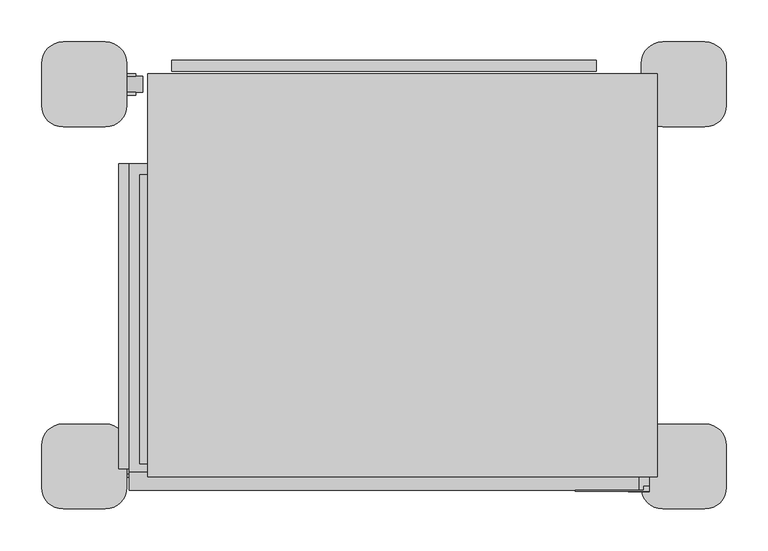
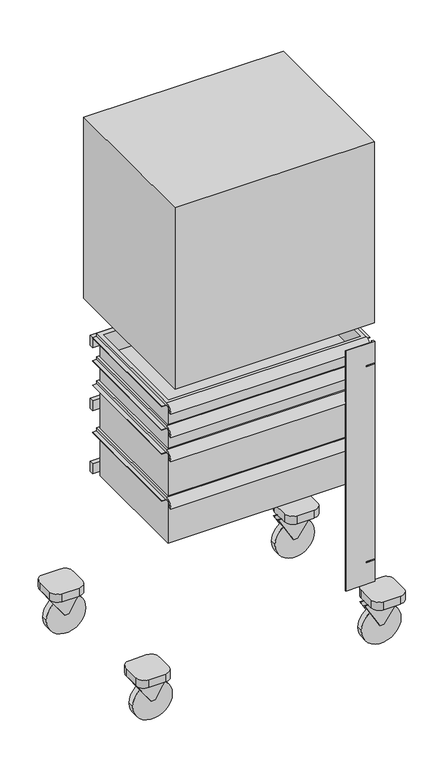
"""IFC4 building model written with IfcOpenShell, lengths in millimetres: proxy geometry."""

from ifc_helpers import new_model, si_unit, point, frame, frame_2d, origin, place, context, project, spatial, polyline, circle_curve, trimmed, segment, composite_curve, outline, extrude, faceted_brep, source, transform, mapped, element, save
from ifc_brep_helpers import plane_surface, cylinder_surface, revolved_surface, advanced_brep


def specialty_equipment_8ec998c3(model_context):
    return source(origin(), model_context, "Body", "SolidModel", [
        faceted_brep([(-177.3747223, 933.9418342, 1473.2), (-659.9747223, 933.9418342, 1473.2), (-659.9747223, 883.3104531, 1473.2), (-177.3747223, 883.3104531, 1473.2), (-177.3747223, 933.9418342, 1193.8), (-177.3747223, 883.3104531, 1193.8), (-659.9747223, 883.3104531, 1193.8), (-659.9747223, 933.9418342, 1193.8), (-647.2747223, 883.3104531, 1460.5), (-190.0747223, 883.3104531, 1460.5), (-190.0747223, 883.3104531, 1206.5), (-647.2747223, 883.3104531, 1206.5), (-190.0747223, 888.0966556, 1460.5), (-647.2747223, 888.0966556, 1460.5), (-190.0747223, 888.0966556, 1206.5), (-647.2747223, 888.0966556, 1206.5)], [[[0, 1, 2, 3]], [[4, 5, 6, 7]], [[1, 0, 4, 7]], [[2, 1, 7, 6]], [[3, 2, 6, 5], [8, 9, 10, 11]], [[0, 3, 5, 4]], [[12, 9, 8, 13]], [[14, 15, 11, 10]], [[12, 13, 15, 14]], [[13, 8, 11, 15]], [[9, 12, 14, 10]]]),
        extrude(outline(polyline([(584.7761437, 1054.1), (737.1761437, 1066.8), (737.1761437, 1041.4), (584.7761437, 1041.4), (584.7761437, 1054.1)])), frame((-659.9747223, 0.0, 0.0), z_axis=(1.0, 0.0, 0.0), x_axis=(0.0, 1.0, 0.0)), (0.0, 0.0, 1.0), 482.6),
        faceted_brep([(-271.4528828, 800.6761437, 1066.8), (-271.4528828, 800.6761437, 1041.4), (-271.4528828, 1016.5761437, 1041.4), (-271.4528828, 1016.5761437, 1066.8), (-565.8965618, 1016.5761437, 1066.8), (-565.8965618, 1016.5761437, 1041.4), (-565.8965618, 800.6761437, 1041.4), (-565.8965618, 800.6761437, 1066.8), (-381.7061537, 997.4418342, 1073.15), (-381.7061537, 997.4418342, 1066.8), (-455.6432909, 997.4418342, 1066.8), (-455.6432909, 997.4418342, 1073.15), (-381.7061537, 997.4418342, 1333.5), (-455.6432909, 997.4418342, 1333.5), (-381.7061537, 933.9418342, 1333.5), (-455.6432909, 933.9418342, 1333.5), (-381.7061537, 933.9418342, 1282.7), (-455.6432909, 933.9418342, 1282.7), (-381.7061537, 972.0418342, 1282.7), (-455.6432909, 972.0418342, 1282.7), (-381.7061537, 972.0418342, 1066.8), (-455.6432909, 972.0418342, 1066.8)], [[[0, 1, 2, 3]], [[4, 5, 6, 7]], [[8, 9, 10, 11]], [[12, 8, 11, 13]], [[14, 12, 13, 15]], [[16, 14, 15, 17]], [[18, 16, 17, 19]], [[20, 18, 19, 21]], [[0, 3, 4, 7], [9, 20, 21, 10]], [[1, 0, 7, 6]], [[2, 1, 6, 5]], [[3, 2, 5, 4]], [[20, 9, 8, 12, 14, 16, 18]], [[10, 21, 19, 17, 15, 13, 11]]]),
        extrude(outline(polyline([(-113.8747223, 1041.9761437), (-113.8747223, 559.3761437), (-723.4747223, 559.3761437), (-723.4747223, 1041.9761437), (-113.8747223, 1041.9761437)])), frame((0.0, 0.0, 1041.4), z_axis=(0.0, 0.0, 1.0), x_axis=(1.0, 0.0, 0.0)), (0.0, 0.0, 1.0), 584.2),
        extrude(outline(polyline([(-186.8997223, 1057.8511437), (-186.8997223, 1045.1511437), (-694.8997223, 1045.1511437), (-694.8997223, 1057.8511437), (-186.8997223, 1057.8511437)])), frame((0.0, 0.0, 464.30692), z_axis=(0.0, 0.0, 1.0), x_axis=(1.0, 0.0, 0.0)), (0.0, 0.0, 1.0), 31.75),
        extrude(outline(polyline([(-186.8997223, 1057.8511437), (-186.8997223, 1045.1511437), (-694.8997223, 1045.1511437), (-694.8997223, 1057.8511437), (-186.8997223, 1057.8511437)])), frame((0.0, 0.0, 667.50692), z_axis=(0.0, 0.0, 1.0), x_axis=(1.0, 0.0, 0.0)), (0.0, 0.0, 1.0), 31.75),
        extrude(outline(polyline([(-186.8997223, 1057.8511437), (-186.8997223, 1045.1511437), (-694.8997223, 1045.1511437), (-694.8997223, 1057.8511437), (-186.8997223, 1057.8511437)])), frame((0.0, 0.0, 870.70692), z_axis=(0.0, 0.0, 1.0), x_axis=(1.0, 0.0, 0.0)), (0.0, 0.0, 1.0), 31.75),
        advanced_brep(
        [(-739.3497223, 569.0376764, 696.8915302), (-142.4497223, 569.0376764, 696.8915302), (-142.4497223, 569.0376764, 838.1917302), (-123.3997223, 569.0376764, 838.1917302), (-123.3997223, 569.0376764, 839.7792302), (-136.0997223, 569.0376764, 839.7792302), (-136.0997223, 569.0376764, 842.9415302), (-745.6997223, 569.0376764, 842.9415302), (-745.6997223, 569.0376764, 839.7792302), (-758.3997223, 569.0376764, 839.7792302), (-758.3997223, 569.0376764, 838.1917302), (-739.3497223, 569.0376764, 838.1917302), (-142.4497223, 927.8126764, 696.8915302), (-739.3497223, 927.8126764, 696.8915302), (-739.3497223, 927.8126764, 838.1917302), (-142.4497223, 927.8126764, 838.1917302), (-136.0997223, 565.7634577, 849.2915302), (-136.0997223, 934.1626764, 849.2915302), (-745.6997223, 934.1626764, 849.2915302), (-745.6997223, 565.7634577, 849.2915302), (-148.7997223, 575.3876764, 849.2915302), (-732.9997223, 575.3876764, 849.2915302), (-732.9997223, 920.8276764, 849.2915302), (-148.7997223, 920.8276764, 849.2915302), (-136.0997223, 543.6376764, 824.6484502), (-136.0997223, 550.0395136, 824.6484502), (-136.0997223, 565.7634577, 842.9415302), (-136.0997223, 934.1626764, 839.7792302), (-745.6997223, 565.7634577, 842.9415302), (-745.6997223, 550.0395136, 824.6484502), (-745.6997223, 543.6376764, 824.6484502), (-745.6997223, 934.1626764, 839.7792302), (-123.3997223, 934.1626764, 838.1917302), (-758.3997223, 934.1626764, 838.1917302), (-123.3997223, 934.1626764, 839.7792302), (-758.3997223, 934.1626764, 839.7792302), (-732.9997223, 575.3876764, 706.4165302), (-148.7997223, 575.3876764, 706.4165302), (-148.7997223, 920.8276764, 706.4165302), (-732.9997223, 920.8276764, 706.4165302)],
        [
            (0, 1),
            (1, 2),
            (2, 3),
            (3, 4),
            (4, 5),
            (5, 6),
            (6, 7),
            (7, 8),
            (8, 9),
            (9, 10),
            (10, 11),
            (11, 0),
            (12, 13),
            (13, 14),
            (14, 15),
            (15, 12),
            (0, 13),
            (12, 1),
            (15, 2),
            (16, 17),
            (17, 18),
            (18, 19),
            (19, 16),
            (20, 21),
            (21, 22),
            (22, 23),
            (23, 20),
            (11, 14),
            (16, 24, circle_curve(frame((-136.0997223, 565.7634577, 827.0371775), z_axis=(1.0, 0.0, 0.0), x_axis=(0.0, 1.0, 0.0)), 22.2543527)),
            (24, 25),
            (25, 26, circle_curve(frame((-136.0997223, 565.7634577, 827.0371775), z_axis=(-1.0, 0.0, 0.0), x_axis=(0.0, 1.0, 0.0)), 15.9043527)),
            (26, 6),
            (5, 27),
            (27, 17),
            (7, 28),
            (28, 29, circle_curve(frame((-745.6997223, 565.7634577, 827.0371775), z_axis=(1.0, 0.0, 0.0), x_axis=(0.0, 1.0, 0.0)), 15.9043527)),
            (29, 30),
            (30, 19, circle_curve(frame((-745.6997223, 565.7634577, 827.0371775), z_axis=(-1.0, 0.0, 0.0), x_axis=(0.0, 1.0, 0.0)), 22.2543527)),
            (18, 31),
            (31, 8),
            (30, 24),
            (29, 25),
            (28, 26),
            (32, 3),
            (10, 33),
            (33, 32),
            (27, 34),
            (34, 32),
            (33, 35),
            (35, 31),
            (36, 37),
            (37, 38),
            (38, 39),
            (39, 36),
            (36, 21),
            (20, 37),
            (23, 38),
            (22, 39),
            (9, 35),
            (4, 34),
        ],
        [
            plane_surface(frame((-142.4497223, 569.0376764, 696.8915302), z_axis=(0.0, -1.0, 0.0), x_axis=(1.0, 0.0, 0.0))),
            plane_surface(frame((-142.4497223, 927.8126764, 696.8915302), z_axis=(0.0, 1.0, 0.0), x_axis=(-1.0, 0.0, 0.0))),
            plane_surface(frame((-739.3497223, 569.0376764, 696.8915302), z_axis=(0.0, 0.0, -1.0), x_axis=(0.0, 1.0, 0.0))),
            plane_surface(frame((-142.4497223, 569.0376764, 696.8915302), z_axis=(1.0, 0.0, 0.0), x_axis=(0.0, 1.0, 0.0))),
            plane_surface(frame((-142.4497223, 569.0376764, 849.2915302), z_axis=(0.0, 0.0, 1.0), x_axis=(0.0, 1.0, 0.0))),
            plane_surface(frame((-739.3497223, 569.0376764, 849.2915302), z_axis=(-1.0, 0.0, 0.0), x_axis=(0.0, 1.0, 0.0))),
            plane_surface(frame((-136.0997223, 934.1626764, 849.2915302), z_axis=(1.0, 0.0, 0.0), x_axis=(0.0, -1.0, 0.0))),
            plane_surface(frame((-745.6997223, 934.1626764, 849.2915302), z_axis=(-1.0, 0.0, 0.0), x_axis=(0.0, 1.0, 0.0))),
            cylinder_surface(frame((-745.6997223, 565.7634577, 827.0371775), z_axis=(1.0, 0.0, 0.0), x_axis=(0.0, 1.0, 0.0)), 22.2543527),
            plane_surface(frame((-136.0997223, 543.6376764, 824.6484502), z_axis=(0.0, 0.0, -1.0), x_axis=(-1.0, 0.0, 0.0))),
            revolved_surface(polyline([(-745.6997223, 581.6678104, 827.0371775), (-136.09972230000005, 581.6678104, 827.0371775)]), (-745.6997223, 565.7634577, 827.0371775), (-1.0, 0.0, 0.0)),
            plane_surface(frame((-136.0997223, 565.7634577, 842.9415302), z_axis=(0.0, -1.0696897912904252e-12, -1.0), x_axis=(-1.0, 0.0, 0.0))),
            plane_surface(frame((-136.0997223, 569.0376764, 838.1917302), z_axis=(0.0, 0.0, -1.0), x_axis=(-1.0, 0.0, 0.0))),
            plane_surface(frame((-136.0997223, 934.1626764, 838.1917302), z_axis=(0.0, 1.0, 0.0), x_axis=(-1.0, 0.0, 0.0))),
            plane_surface(frame((-148.7997223, 575.3876764, 706.4165302), z_axis=(0.0, 0.0, 1.0), x_axis=(-1.0, 0.0, 0.0))),
            plane_surface(frame((-732.9997223, 575.3876764, 849.2915302), z_axis=(0.0, 1.0, 0.0), x_axis=(0.0, 0.0, -1.0))),
            plane_surface(frame((-148.7997223, 575.3876764, 849.2915302), z_axis=(-1.0, 0.0, 0.0), x_axis=(0.0, 0.0, -1.0))),
            plane_surface(frame((-148.7997223, 920.8276764, 849.2915302), z_axis=(0.0, -1.0, 0.0), x_axis=(0.0, 0.0, -1.0))),
            plane_surface(frame((-732.9997223, 920.8276764, 849.2915302), z_axis=(1.0, 0.0, 0.0), x_axis=(0.0, 0.0, -1.0))),
            plane_surface(frame((-758.3997223, 934.1626764, 838.1917302), z_axis=(-1.0, 0.0, 0.0), x_axis=(0.0, -1.0, 0.0))),
            plane_surface(frame((-758.3997223, 934.1626764, 839.7792302), z_axis=(0.0, 0.0, 1.0), x_axis=(0.0, -1.0, 0.0))),
            plane_surface(frame((-136.0997223, 934.1626764, 839.7792302), z_axis=(0.0, 0.0, 1.0), x_axis=(0.0, -1.0, 0.0))),
            plane_surface(frame((-123.3997223, 934.1626764, 839.7792302), z_axis=(1.0, 0.0, 0.0), x_axis=(0.0, -1.0, 0.0))),
        ],
        [
            (0, [[1, 2, 3, 4, 5, 6, 7, 8, 9, 10, 11, 12]]),
            (1, [[13, 14, 15, 16]]),
            (2, [[-1, 17, -13, 18]]),
            (3, [[-18, -16, 19, -2]]),
            (4, [[20, 21, 22, 23], [24, 25, 26, 27]]),
            (5, [[-17, -12, 28, -14]]),
            (6, [[-20, 29, 30, 31, 32, -6, 33, 34]]),
            (7, [[35, 36, 37, 38, -22, 39, 40, -8]]),
            (8, [[-29, -23, -38, 41]]),
            (9, [[-30, -41, -37, 42]]),
            (10, [[-31, -42, -36, 43]]),
            (11, [[-32, -43, -35, -7]]),
            (12, [[44, -3, -19, -15, -28, -11, 45, 46]]),
            (13, [[-21, -34, 47, 48, -46, 49, 50, -39]]),
            (14, [[51, 52, 53, 54]]),
            (15, [[-51, 55, -24, 56]]),
            (16, [[-52, -56, -27, 57]]),
            (17, [[-53, -57, -26, 58]]),
            (18, [[-54, -58, -25, -55]]),
            (19, [[-49, -45, -10, 59]]),
            (20, [[-50, -59, -9, -40]]),
            (21, [[-47, -33, -5, 60]]),
            (22, [[-48, -60, -4, -44]]),
        ],
    ),
        extrude(outline(polyline([(-123.3997223, 564.2751764), (-123.3997223, 542.0501764), (-148.7997223, 542.0501764), (-148.7997223, 564.2751764), (-123.3997223, 564.2751764)])), frame((0.0, 0.0, 923.417), z_axis=(0.0, 0.0, 1.0), x_axis=(1.0, 0.0, 0.0)), (0.0, 0.0, 1.0), 3.175),
        extrude(outline(polyline([(-123.3997223, 564.2751764), (-123.3997223, 542.0501764), (-148.7997223, 542.0501764), (-148.7997223, 564.2751764), (-123.3997223, 564.2751764)])), frame((0.0, 0.0, 291.592), z_axis=(0.0, 0.0, 1.0), x_axis=(1.0, 0.0, 0.0)), (0.0, 0.0, 1.0), 3.175),
        extrude(outline(polyline([(-123.3997223, 542.0501764), (-212.2997223, 542.0501764), (-212.2997223, 543.6376764), (-129.7497223, 543.6376764), (-129.7497223, 548.4001764), (-123.3997223, 548.4001764), (-123.3997223, 542.0501764)])), frame((0.0, 0.0, 221.742), z_axis=(0.0, 0.0, 1.0), x_axis=(1.0, 0.0, 0.0)), (0.0, 0.0, 1.0), 774.7),
        advanced_brep(
        [(-739.3497223, 569.0376764, 544.4915302), (-142.4497223, 569.0376764, 544.4915302), (-142.4497223, 569.0376764, 685.7917302), (-123.3997223, 569.0376764, 685.7917302), (-123.3997223, 569.0376764, 687.3792302), (-136.0997223, 569.0376764, 687.3792302), (-136.0997223, 569.0376764, 690.5415302), (-745.6997223, 569.0376764, 690.5415302), (-745.6997223, 569.0376764, 687.3792302), (-758.3997223, 569.0376764, 687.3792302), (-758.3997223, 569.0376764, 685.7917302), (-739.3497223, 569.0376764, 685.7917302), (-142.4497223, 927.8126764, 544.4915302), (-739.3497223, 927.8126764, 544.4915302), (-739.3497223, 927.8126764, 685.7917302), (-142.4497223, 927.8126764, 685.7917302), (-136.0997223, 565.7634577, 696.8915302), (-136.0997223, 934.1626764, 696.8915302), (-745.6997223, 934.1626764, 696.8915302), (-745.6997223, 565.7634577, 696.8915302), (-148.7997223, 575.3876764, 696.8915302), (-732.9997223, 575.3876764, 696.8915302), (-732.9997223, 920.8276764, 696.8915302), (-148.7997223, 920.8276764, 696.8915302), (-136.0997223, 543.6376764, 672.2484502), (-136.0997223, 550.0395136, 672.2484502), (-136.0997223, 565.7634577, 690.5415302), (-136.0997223, 934.1626764, 687.3792302), (-745.6997223, 565.7634577, 690.5415302), (-745.6997223, 550.0395136, 672.2484502), (-745.6997223, 543.6376764, 672.2484502), (-745.6997223, 934.1626764, 687.3792302), (-123.3997223, 934.1626764, 685.7917302), (-758.3997223, 934.1626764, 685.7917302), (-123.3997223, 934.1626764, 687.3792302), (-758.3997223, 934.1626764, 687.3792302), (-732.9997223, 575.3876764, 554.0165302), (-148.7997223, 575.3876764, 554.0165302), (-148.7997223, 920.8276764, 554.0165302), (-732.9997223, 920.8276764, 554.0165302)],
        [
            (0, 1),
            (1, 2),
            (2, 3),
            (3, 4),
            (4, 5),
            (5, 6),
            (6, 7),
            (7, 8),
            (8, 9),
            (9, 10),
            (10, 11),
            (11, 0),
            (12, 13),
            (13, 14),
            (14, 15),
            (15, 12),
            (0, 13),
            (12, 1),
            (15, 2),
            (16, 17),
            (17, 18),
            (18, 19),
            (19, 16),
            (20, 21),
            (21, 22),
            (22, 23),
            (23, 20),
            (11, 14),
            (16, 24, circle_curve(frame((-136.0997223, 565.7634577, 674.6371775), z_axis=(1.0, 0.0, 0.0), x_axis=(0.0, 1.0, 0.0)), 22.2543527)),
            (24, 25),
            (25, 26, circle_curve(frame((-136.0997223, 565.7634577, 674.6371775), z_axis=(-1.0, 0.0, 0.0), x_axis=(0.0, 1.0, 0.0)), 15.9043527)),
            (26, 6),
            (5, 27),
            (27, 17),
            (7, 28),
            (28, 29, circle_curve(frame((-745.6997223, 565.7634577, 674.6371775), z_axis=(1.0, 0.0, 0.0), x_axis=(0.0, 1.0, 0.0)), 15.9043527)),
            (29, 30),
            (30, 19, circle_curve(frame((-745.6997223, 565.7634577, 674.6371775), z_axis=(-1.0, 0.0, 0.0), x_axis=(0.0, 1.0, 0.0)), 22.2543527)),
            (18, 31),
            (31, 8),
            (30, 24),
            (29, 25),
            (28, 26),
            (32, 3),
            (10, 33),
            (33, 32),
            (27, 34),
            (34, 32),
            (33, 35),
            (35, 31),
            (36, 37),
            (37, 38),
            (38, 39),
            (39, 36),
            (36, 21),
            (20, 37),
            (23, 38),
            (22, 39),
            (9, 35),
            (4, 34),
        ],
        [
            plane_surface(frame((-142.4497223, 569.0376764, 544.4915302), z_axis=(0.0, -1.0, 0.0), x_axis=(1.0, 0.0, 0.0))),
            plane_surface(frame((-142.4497223, 927.8126764, 544.4915302), z_axis=(0.0, 1.0, 0.0), x_axis=(-1.0, 0.0, 0.0))),
            plane_surface(frame((-739.3497223, 569.0376764, 544.4915302), z_axis=(0.0, 0.0, -1.0), x_axis=(0.0, 1.0, 0.0))),
            plane_surface(frame((-142.4497223, 569.0376764, 544.4915302), z_axis=(1.0, 0.0, 0.0), x_axis=(0.0, 1.0, 0.0))),
            plane_surface(frame((-142.4497223, 569.0376764, 696.8915302), z_axis=(0.0, 0.0, 1.0), x_axis=(0.0, 1.0, 0.0))),
            plane_surface(frame((-739.3497223, 569.0376764, 696.8915302), z_axis=(-1.0, 0.0, 0.0), x_axis=(0.0, 1.0, 0.0))),
            plane_surface(frame((-136.0997223, 934.1626764, 696.8915302), z_axis=(1.0, 0.0, 0.0), x_axis=(0.0, -1.0, 0.0))),
            plane_surface(frame((-745.6997223, 934.1626764, 696.8915302), z_axis=(-1.0, 0.0, 0.0), x_axis=(0.0, 1.0, 0.0))),
            cylinder_surface(frame((-745.6997223, 565.7634577, 674.6371775), z_axis=(1.0, 0.0, 0.0), x_axis=(0.0, 1.0, 0.0)), 22.2543527),
            plane_surface(frame((-136.0997223, 543.6376764, 672.2484502), z_axis=(0.0, 0.0, -1.0), x_axis=(-1.0, 0.0, 0.0))),
            revolved_surface(polyline([(-745.6997223, 581.6678104, 674.6371775), (-136.09972230000005, 581.6678104, 674.6371775)]), (-745.6997223, 565.7634577, 674.6371775), (-1.0, 0.0, 0.0)),
            plane_surface(frame((-136.0997223, 565.7634577, 690.5415302), z_axis=(0.0, -1.0696897912904252e-12, -1.0), x_axis=(-1.0, 0.0, 0.0))),
            plane_surface(frame((-136.0997223, 569.0376764, 685.7917302), z_axis=(0.0, 0.0, -1.0), x_axis=(-1.0, 0.0, 0.0))),
            plane_surface(frame((-136.0997223, 934.1626764, 685.7917302), z_axis=(0.0, 1.0, 0.0), x_axis=(-1.0, 0.0, 0.0))),
            plane_surface(frame((-148.7997223, 575.3876764, 554.0165302), z_axis=(0.0, 0.0, 1.0), x_axis=(-1.0, 0.0, 0.0))),
            plane_surface(frame((-732.9997223, 575.3876764, 696.8915302), z_axis=(0.0, 1.0, 0.0), x_axis=(0.0, 0.0, -1.0))),
            plane_surface(frame((-148.7997223, 575.3876764, 696.8915302), z_axis=(-1.0, 0.0, 0.0), x_axis=(0.0, 0.0, -1.0))),
            plane_surface(frame((-148.7997223, 920.8276764, 696.8915302), z_axis=(0.0, -1.0, 0.0), x_axis=(0.0, 0.0, -1.0))),
            plane_surface(frame((-732.9997223, 920.8276764, 696.8915302), z_axis=(1.0, 0.0, 0.0), x_axis=(0.0, 0.0, -1.0))),
            plane_surface(frame((-758.3997223, 934.1626764, 685.7917302), z_axis=(-1.0, 0.0, 0.0), x_axis=(0.0, -1.0, 0.0))),
            plane_surface(frame((-758.3997223, 934.1626764, 687.3792302), z_axis=(0.0, 0.0, 1.0), x_axis=(0.0, -1.0, 0.0))),
            plane_surface(frame((-136.0997223, 934.1626764, 687.3792302), z_axis=(0.0, 0.0, 1.0), x_axis=(0.0, -1.0, 0.0))),
            plane_surface(frame((-123.3997223, 934.1626764, 687.3792302), z_axis=(1.0, 0.0, 0.0), x_axis=(0.0, -1.0, 0.0))),
        ],
        [
            (0, [[1, 2, 3, 4, 5, 6, 7, 8, 9, 10, 11, 12]]),
            (1, [[13, 14, 15, 16]]),
            (2, [[-1, 17, -13, 18]]),
            (3, [[-18, -16, 19, -2]]),
            (4, [[20, 21, 22, 23], [24, 25, 26, 27]]),
            (5, [[-17, -12, 28, -14]]),
            (6, [[-20, 29, 30, 31, 32, -6, 33, 34]]),
            (7, [[35, 36, 37, 38, -22, 39, 40, -8]]),
            (8, [[-29, -23, -38, 41]]),
            (9, [[-30, -41, -37, 42]]),
            (10, [[-31, -42, -36, 43]]),
            (11, [[-32, -43, -35, -7]]),
            (12, [[44, -3, -19, -15, -28, -11, 45, 46]]),
            (13, [[-21, -34, 47, 48, -46, 49, 50, -39]]),
            (14, [[51, 52, 53, 54]]),
            (15, [[-51, 55, -24, 56]]),
            (16, [[-52, -56, -27, 57]]),
            (17, [[-53, -57, -26, 58]]),
            (18, [[-54, -58, -25, -55]]),
            (19, [[-49, -45, -10, 59]]),
            (20, [[-50, -59, -9, -40]]),
            (21, [[-47, -33, -5, 60]]),
            (22, [[-48, -60, -4, -44]]),
        ],
    ),
        advanced_brep(
        [(-739.3497223, 569.0376764, 925.4915302), (-142.4497223, 569.0376764, 925.4915302), (-142.4497223, 569.0376764, 990.5917302), (-123.3997223, 569.0376764, 990.5917302), (-123.3997223, 569.0376764, 992.1792302), (-136.0997223, 569.0376764, 992.1792302), (-136.0997223, 569.0376764, 995.3415302), (-745.6997223, 569.0376764, 995.3415302), (-745.6997223, 569.0376764, 992.1792302), (-758.3997223, 569.0376764, 992.1792302), (-758.3997223, 569.0376764, 990.5917302), (-739.3497223, 569.0376764, 990.5917302), (-142.4497223, 927.8126764, 925.4915302), (-739.3497223, 927.8126764, 925.4915302), (-739.3497223, 927.8126764, 990.5917302), (-142.4497223, 927.8126764, 990.5917302), (-136.0997223, 565.7634577, 1001.6915302), (-136.0997223, 934.1626764, 1001.6915302), (-745.6997223, 934.1626764, 1001.6915302), (-745.6997223, 565.7634577, 1001.6915302), (-148.7997223, 575.3876764, 1001.6915302), (-732.9997223, 575.3876764, 1001.6915302), (-732.9997223, 920.8276764, 1001.6915302), (-148.7997223, 920.8276764, 1001.6915302), (-136.0997223, 543.6376764, 977.0484502), (-136.0997223, 550.0395136, 977.0484502), (-136.0997223, 565.7634577, 995.3415302), (-136.0997223, 934.1626764, 992.1792302), (-745.6997223, 565.7634577, 995.3415302), (-745.6997223, 550.0395136, 977.0484502), (-745.6997223, 543.6376764, 977.0484502), (-745.6997223, 934.1626764, 992.1792302), (-123.3997223, 934.1626764, 990.5917302), (-758.3997223, 934.1626764, 990.5917302), (-123.3997223, 934.1626764, 992.1792302), (-758.3997223, 934.1626764, 992.1792302), (-732.9997223, 575.3876764, 935.0165302), (-148.7997223, 575.3876764, 935.0165302), (-148.7997223, 920.8276764, 935.0165302), (-732.9997223, 920.8276764, 935.0165302)],
        [
            (0, 1),
            (1, 2),
            (2, 3),
            (3, 4),
            (4, 5),
            (5, 6),
            (6, 7),
            (7, 8),
            (8, 9),
            (9, 10),
            (10, 11),
            (11, 0),
            (12, 13),
            (13, 14),
            (14, 15),
            (15, 12),
            (0, 13),
            (12, 1),
            (15, 2),
            (16, 17),
            (17, 18),
            (18, 19),
            (19, 16),
            (20, 21),
            (21, 22),
            (22, 23),
            (23, 20),
            (11, 14),
            (16, 24, circle_curve(frame((-136.0997223, 565.7634577, 979.4371775), z_axis=(1.0, 0.0, 0.0), x_axis=(0.0, 1.0, 0.0)), 22.2543527)),
            (24, 25),
            (25, 26, circle_curve(frame((-136.0997223, 565.7634577, 979.4371775), z_axis=(-1.0, 0.0, 0.0), x_axis=(0.0, 1.0, 0.0)), 15.9043527)),
            (26, 6),
            (5, 27),
            (27, 17),
            (7, 28),
            (28, 29, circle_curve(frame((-745.6997223, 565.7634577, 979.4371775), z_axis=(1.0, 0.0, 0.0), x_axis=(0.0, 1.0, 0.0)), 15.9043527)),
            (29, 30),
            (30, 19, circle_curve(frame((-745.6997223, 565.7634577, 979.4371775), z_axis=(-1.0, 0.0, 0.0), x_axis=(0.0, 1.0, 0.0)), 22.2543527)),
            (18, 31),
            (31, 8),
            (30, 24),
            (29, 25),
            (28, 26),
            (32, 3),
            (10, 33),
            (33, 32),
            (27, 34),
            (34, 32),
            (33, 35),
            (35, 31),
            (36, 37),
            (37, 38),
            (38, 39),
            (39, 36),
            (36, 21),
            (20, 37),
            (23, 38),
            (22, 39),
            (9, 35),
            (4, 34),
        ],
        [
            plane_surface(frame((-142.4497223, 569.0376764, 925.4915302), z_axis=(0.0, -1.0, 0.0), x_axis=(1.0, 0.0, 0.0))),
            plane_surface(frame((-142.4497223, 927.8126764, 925.4915302), z_axis=(0.0, 1.0, 0.0), x_axis=(-1.0, 0.0, 0.0))),
            plane_surface(frame((-739.3497223, 569.0376764, 925.4915302), z_axis=(0.0, 0.0, -1.0), x_axis=(0.0, 1.0, 0.0))),
            plane_surface(frame((-142.4497223, 569.0376764, 925.4915302), z_axis=(1.0, 0.0, 0.0), x_axis=(0.0, 1.0, 0.0))),
            plane_surface(frame((-142.4497223, 569.0376764, 1001.6915302), z_axis=(0.0, 0.0, 1.0), x_axis=(0.0, 1.0, 0.0))),
            plane_surface(frame((-739.3497223, 569.0376764, 1001.6915302), z_axis=(-1.0, 0.0, 0.0), x_axis=(0.0, 1.0, 0.0))),
            plane_surface(frame((-136.0997223, 934.1626764, 1001.6915302), z_axis=(1.0, 0.0, 0.0), x_axis=(0.0, -1.0, 0.0))),
            plane_surface(frame((-745.6997223, 934.1626764, 1001.6915302), z_axis=(-1.0, 0.0, 0.0), x_axis=(0.0, 1.0, 0.0))),
            cylinder_surface(frame((-745.6997223, 565.7634577, 979.4371775), z_axis=(1.0, 0.0, 0.0), x_axis=(0.0, 1.0, 0.0)), 22.2543527),
            plane_surface(frame((-136.0997223, 543.6376764, 977.0484502), z_axis=(0.0, 0.0, -1.0), x_axis=(-1.0, 0.0, 0.0))),
            revolved_surface(polyline([(-745.6997223, 581.6678104, 979.4371775), (-136.09972230000005, 581.6678104, 979.4371775)]), (-745.6997223, 565.7634577, 979.4371775), (-1.0, 0.0, 0.0)),
            plane_surface(frame((-136.0997223, 565.7634577, 995.3415302), z_axis=(0.0, -1.0671059995240232e-12, -1.0), x_axis=(-1.0, 0.0, 0.0))),
            plane_surface(frame((-136.0997223, 569.0376764, 990.5917302), z_axis=(0.0, 0.0, -1.0), x_axis=(-1.0, 0.0, 0.0))),
            plane_surface(frame((-136.0997223, 934.1626764, 990.5917302), z_axis=(0.0, 1.0, 0.0), x_axis=(-1.0, 0.0, 0.0))),
            plane_surface(frame((-148.7997223, 575.3876764, 935.0165302), z_axis=(0.0, 0.0, 1.0), x_axis=(-1.0, 0.0, 0.0))),
            plane_surface(frame((-732.9997223, 575.3876764, 1001.6915302), z_axis=(0.0, 1.0, 0.0), x_axis=(0.0, 0.0, -1.0))),
            plane_surface(frame((-148.7997223, 575.3876764, 1001.6915302), z_axis=(-1.0, 0.0, 0.0), x_axis=(0.0, 0.0, -1.0))),
            plane_surface(frame((-148.7997223, 920.8276764, 1001.6915302), z_axis=(0.0, -1.0, 0.0), x_axis=(0.0, 0.0, -1.0))),
            plane_surface(frame((-732.9997223, 920.8276764, 1001.6915302), z_axis=(1.0, 0.0, 0.0), x_axis=(0.0, 0.0, -1.0))),
            plane_surface(frame((-758.3997223, 934.1626764, 990.5917302), z_axis=(-1.0, 0.0, 0.0), x_axis=(0.0, -1.0, 0.0))),
            plane_surface(frame((-758.3997223, 934.1626764, 992.1792302), z_axis=(0.0, 0.0, 1.0), x_axis=(0.0, -1.0, 0.0))),
            plane_surface(frame((-136.0997223, 934.1626764, 992.1792302), z_axis=(0.0, 0.0, 1.0), x_axis=(0.0, -1.0, 0.0))),
            plane_surface(frame((-123.3997223, 934.1626764, 992.1792302), z_axis=(1.0, 0.0, 0.0), x_axis=(0.0, -1.0, 0.0))),
        ],
        [
            (0, [[1, 2, 3, 4, 5, 6, 7, 8, 9, 10, 11, 12]]),
            (1, [[13, 14, 15, 16]]),
            (2, [[-1, 17, -13, 18]]),
            (3, [[-18, -16, 19, -2]]),
            (4, [[20, 21, 22, 23], [24, 25, 26, 27]]),
            (5, [[-17, -12, 28, -14]]),
            (6, [[-20, 29, 30, 31, 32, -6, 33, 34]]),
            (7, [[35, 36, 37, 38, -22, 39, 40, -8]]),
            (8, [[-29, -23, -38, 41]]),
            (9, [[-30, -41, -37, 42]]),
            (10, [[-31, -42, -36, 43]]),
            (11, [[-32, -43, -35, -7]]),
            (12, [[44, -3, -19, -15, -28, -11, 45, 46]]),
            (13, [[-21, -34, 47, 48, -46, 49, 50, -39]]),
            (14, [[51, 52, 53, 54]]),
            (15, [[-51, 55, -24, 56]]),
            (16, [[-52, -56, -27, 57]]),
            (17, [[-53, -57, -26, 58]]),
            (18, [[-54, -58, -25, -55]]),
            (19, [[-49, -45, -10, 59]]),
            (20, [[-50, -59, -9, -40]]),
            (21, [[-47, -33, -5, 60]]),
            (22, [[-48, -60, -4, -44]]),
        ],
    ),
        advanced_brep(
        [(-739.3497223, 569.0376764, 850.9), (-142.4497223, 569.0376764, 850.9), (-142.4497223, 569.0376764, 916.0002), (-123.3997223, 569.0376764, 916.0002), (-123.3997223, 569.0376764, 917.5877), (-136.0997223, 569.0376764, 917.5877), (-136.0997223, 569.0376764, 920.75), (-745.6997223, 569.0376764, 920.75), (-745.6997223, 569.0376764, 917.5877), (-758.3997223, 569.0376764, 917.5877), (-758.3997223, 569.0376764, 916.0002), (-739.3497223, 569.0376764, 916.0002), (-142.4497223, 927.8126764, 850.9), (-739.3497223, 927.8126764, 850.9), (-739.3497223, 927.8126764, 916.0002), (-142.4497223, 927.8126764, 916.0002), (-136.0997223, 565.7634577, 927.1), (-136.0997223, 934.1626764, 927.1), (-745.6997223, 934.1626764, 927.1), (-745.6997223, 565.7634577, 927.1), (-148.7997223, 575.3876764, 927.1), (-732.9997223, 575.3876764, 927.1), (-732.9997223, 920.8276764, 927.1), (-148.7997223, 920.8276764, 927.1), (-136.0997223, 543.6376764, 902.45692), (-136.0997223, 550.0395136, 902.45692), (-136.0997223, 565.7634577, 920.75), (-136.0997223, 934.1626764, 917.5877), (-745.6997223, 565.7634577, 920.75), (-745.6997223, 550.0395136, 902.45692), (-745.6997223, 543.6376764, 902.45692), (-745.6997223, 934.1626764, 917.5877), (-123.3997223, 934.1626764, 916.0002), (-758.3997223, 934.1626764, 916.0002), (-123.3997223, 934.1626764, 917.5877), (-758.3997223, 934.1626764, 917.5877), (-732.9997223, 575.3876764, 860.425), (-148.7997223, 575.3876764, 860.425), (-148.7997223, 920.8276764, 860.425), (-732.9997223, 920.8276764, 860.425)],
        [
            (0, 1),
            (1, 2),
            (2, 3),
            (3, 4),
            (4, 5),
            (5, 6),
            (6, 7),
            (7, 8),
            (8, 9),
            (9, 10),
            (10, 11),
            (11, 0),
            (12, 13),
            (13, 14),
            (14, 15),
            (15, 12),
            (0, 13),
            (12, 1),
            (15, 2),
            (16, 17),
            (17, 18),
            (18, 19),
            (19, 16),
            (20, 21),
            (21, 22),
            (22, 23),
            (23, 20),
            (11, 14),
            (16, 24, circle_curve(frame((-136.0997223, 565.7634577, 904.8456473), z_axis=(1.0, 0.0, 0.0), x_axis=(0.0, 1.0, 0.0)), 22.2543527)),
            (24, 25),
            (25, 26, circle_curve(frame((-136.0997223, 565.7634577, 904.8456473), z_axis=(-1.0, 0.0, 0.0), x_axis=(0.0, 1.0, 0.0)), 15.9043527)),
            (26, 6),
            (5, 27),
            (27, 17),
            (7, 28),
            (28, 29, circle_curve(frame((-745.6997223, 565.7634577, 904.8456473), z_axis=(1.0, 0.0, 0.0), x_axis=(0.0, 1.0, 0.0)), 15.9043527)),
            (29, 30),
            (30, 19, circle_curve(frame((-745.6997223, 565.7634577, 904.8456473), z_axis=(-1.0, 0.0, 0.0), x_axis=(0.0, 1.0, 0.0)), 22.2543527)),
            (18, 31),
            (31, 8),
            (30, 24),
            (29, 25),
            (28, 26),
            (32, 3),
            (10, 33),
            (33, 32),
            (27, 34),
            (34, 32),
            (33, 35),
            (35, 31),
            (36, 37),
            (37, 38),
            (38, 39),
            (39, 36),
            (36, 21),
            (20, 37),
            (23, 38),
            (22, 39),
            (9, 35),
            (4, 34),
        ],
        [
            plane_surface(frame((-142.4497223, 569.0376764, 850.9), z_axis=(0.0, -1.0, 0.0), x_axis=(1.0, 0.0, 0.0))),
            plane_surface(frame((-142.4497223, 927.8126764, 850.9), z_axis=(0.0, 1.0, 0.0), x_axis=(-1.0, 0.0, 0.0))),
            plane_surface(frame((-739.3497223, 569.0376764, 850.9), z_axis=(0.0, 0.0, -1.0), x_axis=(0.0, 1.0, 0.0))),
            plane_surface(frame((-142.4497223, 569.0376764, 850.9), z_axis=(1.0, 0.0, 0.0), x_axis=(0.0, 1.0, 0.0))),
            plane_surface(frame((-142.4497223, 569.0376764, 927.1), z_axis=(0.0, 0.0, 1.0), x_axis=(0.0, 1.0, 0.0))),
            plane_surface(frame((-739.3497223, 569.0376764, 927.1), z_axis=(-1.0, 0.0, 0.0), x_axis=(0.0, 1.0, 0.0))),
            plane_surface(frame((-136.0997223, 934.1626764, 927.1), z_axis=(1.0, 0.0, 0.0), x_axis=(0.0, -1.0, 0.0))),
            plane_surface(frame((-745.6997223, 934.1626764, 927.1), z_axis=(-1.0, 0.0, 0.0), x_axis=(0.0, 1.0, 0.0))),
            cylinder_surface(frame((-745.6997223, 565.7634577, 904.8456473), z_axis=(1.0, 0.0, 0.0), x_axis=(0.0, 1.0, 0.0)), 22.2543527),
            plane_surface(frame((-136.0997223, 543.6376764, 902.45692), z_axis=(0.0, 0.0, -1.0), x_axis=(-1.0, 0.0, 0.0))),
            revolved_surface(polyline([(-745.6997223, 581.6678104, 904.8456473), (-136.09972230000005, 581.6678104, 904.8456473)]), (-745.6997223, 565.7634577, 904.8456473), (-1.0, 0.0, 0.0)),
            plane_surface(frame((-136.0997223, 565.7634577, 920.75), z_axis=(0.0, -1.0671059995240232e-12, -1.0), x_axis=(-1.0, 0.0, 0.0))),
            plane_surface(frame((-136.0997223, 569.0376764, 916.0002), z_axis=(0.0, 0.0, -1.0), x_axis=(-1.0, 0.0, 0.0))),
            plane_surface(frame((-136.0997223, 934.1626764, 916.0002), z_axis=(0.0, 1.0, 0.0), x_axis=(-1.0, 0.0, 0.0))),
            plane_surface(frame((-148.7997223, 575.3876764, 860.425), z_axis=(0.0, 0.0, 1.0), x_axis=(-1.0, 0.0, 0.0))),
            plane_surface(frame((-732.9997223, 575.3876764, 927.1), z_axis=(0.0, 1.0, 0.0), x_axis=(0.0, 0.0, -1.0))),
            plane_surface(frame((-148.7997223, 575.3876764, 927.1), z_axis=(-1.0, 0.0, 0.0), x_axis=(0.0, 0.0, -1.0))),
            plane_surface(frame((-148.7997223, 920.8276764, 927.1), z_axis=(0.0, -1.0, 0.0), x_axis=(0.0, 0.0, -1.0))),
            plane_surface(frame((-732.9997223, 920.8276764, 927.1), z_axis=(1.0, 0.0, 0.0), x_axis=(0.0, 0.0, -1.0))),
            plane_surface(frame((-758.3997223, 934.1626764, 916.0002), z_axis=(-1.0, 0.0, 0.0), x_axis=(0.0, -1.0, 0.0))),
            plane_surface(frame((-758.3997223, 934.1626764, 917.5877), z_axis=(0.0, 0.0, 1.0), x_axis=(0.0, -1.0, 0.0))),
            plane_surface(frame((-136.0997223, 934.1626764, 917.5877), z_axis=(0.0, 0.0, 1.0), x_axis=(0.0, -1.0, 0.0))),
            plane_surface(frame((-123.3997223, 934.1626764, 917.5877), z_axis=(1.0, 0.0, 0.0), x_axis=(0.0, -1.0, 0.0))),
        ],
        [
            (0, [[1, 2, 3, 4, 5, 6, 7, 8, 9, 10, 11, 12]]),
            (1, [[13, 14, 15, 16]]),
            (2, [[-1, 17, -13, 18]]),
            (3, [[-18, -16, 19, -2]]),
            (4, [[20, 21, 22, 23], [24, 25, 26, 27]]),
            (5, [[-17, -12, 28, -14]]),
            (6, [[-20, 29, 30, 31, 32, -6, 33, 34]]),
            (7, [[35, 36, 37, 38, -22, 39, 40, -8]]),
            (8, [[-29, -23, -38, 41]]),
            (9, [[-30, -41, -37, 42]]),
            (10, [[-31, -42, -36, 43]]),
            (11, [[-32, -43, -35, -7]]),
            (12, [[44, -3, -19, -15, -28, -11, 45, 46]]),
            (13, [[-21, -34, 47, 48, -46, 49, 50, -39]]),
            (14, [[51, 52, 53, 54]]),
            (15, [[-51, 55, -24, 56]]),
            (16, [[-52, -56, -27, 57]]),
            (17, [[-53, -57, -26, 58]]),
            (18, [[-54, -58, -25, -55]]),
            (19, [[-49, -45, -10, 59]]),
            (20, [[-50, -59, -9, -40]]),
            (21, [[-47, -33, -5, 60]]),
            (22, [[-48, -60, -4, -44]]),
        ],
    ),
        extrude(outline(polyline([(138.1125, -31.3247223), (138.1125, -144.0372223), (60.3746094, -98.0493317), (60.3746094, -85.3493317), (138.1125, -31.3247223)])), frame((0.0, 1038.8011437, 0.0), z_axis=(0.0, 1.0, 0.0), x_axis=(0.0, 0.0, 1.0)), (0.0, 0.0, 1.0), 3.175),
        extrude(outline(polyline([(138.1125, -31.3247223), (138.1125, -144.0372223), (60.3746094, -98.0493317), (60.3746094, -85.3493317), (138.1125, -31.3247223)])), frame((0.0, 1016.5761437, 0.0), z_axis=(0.0, 1.0, 0.0), x_axis=(0.0, 0.0, 1.0)), (0.0, 0.0, 1.0), 3.175),
        extrude(outline(composite_curve([segment(trimmed(circle_curve(frame_2d((60.3746094, -91.6993317)), 60.3746094), [point((60.3746094, -31.3247223))], [point((60.3746094, -152.0739411))], False, "CARTESIAN"), True, "CONTINUOUS"), segment(trimmed(circle_curve(frame_2d((60.3746094, -91.6993317)), 60.3746094), [point((60.3746094, -152.0739411))], [point((60.3746094, -31.3247223))], False, "CARTESIAN"), True, "CONTINUOUS")], self_intersect=False)), frame((0.0, 1019.7511437, 0.0), z_axis=(0.0, 1.0, 0.0), x_axis=(0.0, 0.0, 1.0)), (0.0, 0.0, 1.0), 19.05),
        extrude(outline(composite_curve([segment(polyline([(-56.7247223, 978.4761437), (-107.5247223, 978.4761437)]), True, "CONTINUOUS"), segment(trimmed(circle_curve(frame_2d((-107.5247223, 1003.8761437)), 25.4), [point((-107.5247223, 978.4761437))], [point((-132.9247223, 1003.8761437))], False, "CARTESIAN"), True, "CONTINUOUS"), segment(polyline([(-132.9247223, 1003.8761437), (-132.9247223, 1054.6761437)]), True, "CONTINUOUS"), segment(trimmed(circle_curve(frame_2d((-107.5247223, 1054.6761437)), 25.4), [point((-132.9247223, 1054.6761437))], [point((-107.5247223, 1080.0761437))], False, "CARTESIAN"), True, "CONTINUOUS"), segment(polyline([(-107.5247223, 1080.0761437), (-56.7247223, 1080.0761437)]), True, "CONTINUOUS"), segment(trimmed(circle_curve(frame_2d((-56.7247223, 1054.6761437)), 25.4), [point((-56.7247223, 1080.0761437))], [point((-31.3247223, 1054.6761437))], False, "CARTESIAN"), True, "CONTINUOUS"), segment(polyline([(-31.3247223, 1054.6761437), (-31.3247223, 1003.8761437)]), True, "CONTINUOUS"), segment(trimmed(circle_curve(frame_2d((-56.7247223, 1003.8761437)), 25.4), [point((-31.3247223, 1003.8761437))], [point((-56.7247223, 978.4761437))], False, "CARTESIAN"), True, "CONTINUOUS")], self_intersect=False)), frame((0.0, 0.0, 138.1125), z_axis=(0.0, 0.0, 1.0), x_axis=(1.0, 0.0, 0.0)), (0.0, 0.0, 1.0), 25.4),
        extrude(outline(polyline([(138.1125, -31.3247223), (138.1125, -144.0372223), (60.3746094, -98.0493317), (60.3746094, -85.3493317), (138.1125, -31.3247223)])), frame((0.0, 581.6011437, 0.0), z_axis=(0.0, 1.0, 0.0), x_axis=(0.0, 0.0, 1.0)), (0.0, 0.0, 1.0), 3.175),
        extrude(outline(polyline([(138.1125, -31.3247223), (138.1125, -144.0372223), (60.3746094, -98.0493317), (60.3746094, -85.3493317), (138.1125, -31.3247223)])), frame((0.0, 559.3761437, 0.0), z_axis=(0.0, 1.0, 0.0), x_axis=(0.0, 0.0, 1.0)), (0.0, 0.0, 1.0), 3.175),
        extrude(outline(composite_curve([segment(trimmed(circle_curve(frame_2d((60.3746094, -91.6993317)), 60.3746094), [point((60.3746094, -31.3247223))], [point((60.3746094, -152.0739411))], False, "CARTESIAN"), True, "CONTINUOUS"), segment(trimmed(circle_curve(frame_2d((60.3746094, -91.6993317)), 60.3746094), [point((60.3746094, -152.0739411))], [point((60.3746094, -31.3247223))], False, "CARTESIAN"), True, "CONTINUOUS")], self_intersect=False)), frame((0.0, 562.5511437, 0.0), z_axis=(0.0, 1.0, 0.0), x_axis=(0.0, 0.0, 1.0)), (0.0, 0.0, 1.0), 19.05),
        extrude(outline(composite_curve([segment(polyline([(-56.7247223, 521.2761437), (-107.5247223, 521.2761437)]), True, "CONTINUOUS"), segment(trimmed(circle_curve(frame_2d((-107.5247223, 546.6761437)), 25.4), [point((-107.5247223, 521.2761437))], [point((-132.9247223, 546.6761437))], False, "CARTESIAN"), True, "CONTINUOUS"), segment(polyline([(-132.9247223, 546.6761437), (-132.9247223, 597.4761437)]), True, "CONTINUOUS"), segment(trimmed(circle_curve(frame_2d((-107.5247223, 597.4761437)), 25.4), [point((-132.9247223, 597.4761437))], [point((-107.5247223, 622.8761437))], False, "CARTESIAN"), True, "CONTINUOUS"), segment(polyline([(-107.5247223, 622.8761437), (-56.7247223, 622.8761437)]), True, "CONTINUOUS"), segment(trimmed(circle_curve(frame_2d((-56.7247223, 597.4761437)), 25.4), [point((-56.7247223, 622.8761437))], [point((-31.3247223, 597.4761437))], False, "CARTESIAN"), True, "CONTINUOUS"), segment(polyline([(-31.3247223, 597.4761437), (-31.3247223, 546.6761437)]), True, "CONTINUOUS"), segment(trimmed(circle_curve(frame_2d((-56.7247223, 546.6761437)), 25.4), [point((-31.3247223, 546.6761437))], [point((-56.7247223, 521.2761437))], False, "CARTESIAN"), True, "CONTINUOUS")], self_intersect=False)), frame((0.0, 0.0, 138.1125), z_axis=(0.0, 0.0, 1.0), x_axis=(1.0, 0.0, 0.0)), (0.0, 0.0, 1.0), 25.4),
        extrude(outline(polyline([(138.1125, -850.4747223), (60.3746094, -796.4501129), (60.3746094, -783.7501129), (138.1125, -737.7622223), (138.1125, -850.4747223)])), frame((0.0, 581.6011437, 0.0), z_axis=(0.0, 1.0, 0.0), x_axis=(0.0, 0.0, 1.0)), (0.0, 0.0, 1.0), 3.175),
        extrude(outline(polyline([(138.1125, -850.4747223), (60.3746094, -796.4501129), (60.3746094, -783.7501129), (138.1125, -737.7622223), (138.1125, -850.4747223)])), frame((0.0, 559.3761437, 0.0), z_axis=(0.0, 1.0, 0.0), x_axis=(0.0, 0.0, 1.0)), (0.0, 0.0, 1.0), 3.175),
        extrude(outline(composite_curve([segment(trimmed(circle_curve(frame_2d((60.3746094, -790.1001129)), 60.3746094), [point((60.3746094, -850.4747223))], [point((60.3746094, -729.7255036))], False, "CARTESIAN"), True, "CONTINUOUS"), segment(trimmed(circle_curve(frame_2d((60.3746094, -790.1001129)), 60.3746094), [point((60.3746094, -729.7255036))], [point((60.3746094, -850.4747223))], False, "CARTESIAN"), True, "CONTINUOUS")], self_intersect=False)), frame((0.0, 562.5511437, 0.0), z_axis=(0.0, 1.0, 0.0), x_axis=(0.0, 0.0, 1.0)), (0.0, 0.0, 1.0), 19.05),
        extrude(outline(composite_curve([segment(trimmed(circle_curve(frame_2d((-825.0747223, 546.6761437)), 25.4), [point((-825.0747223, 521.2761437))], [point((-850.4747223, 546.6761437))], False, "CARTESIAN"), True, "CONTINUOUS"), segment(polyline([(-850.4747223, 546.6761437), (-850.4747223, 597.4761437)]), True, "CONTINUOUS"), segment(trimmed(circle_curve(frame_2d((-825.0747223, 597.4761437)), 25.4), [point((-850.4747223, 597.4761437))], [point((-825.0747223, 622.8761437))], False, "CARTESIAN"), True, "CONTINUOUS"), segment(polyline([(-825.0747223, 622.8761437), (-774.2747223, 622.8761437)]), True, "CONTINUOUS"), segment(trimmed(circle_curve(frame_2d((-774.2747223, 597.4761437)), 25.4), [point((-774.2747223, 622.8761437))], [point((-748.8747223, 597.4761437))], False, "CARTESIAN"), True, "CONTINUOUS"), segment(polyline([(-748.8747223, 597.4761437), (-748.8747223, 546.6761437)]), True, "CONTINUOUS"), segment(trimmed(circle_curve(frame_2d((-774.2747223, 546.6761437)), 25.4), [point((-748.8747223, 546.6761437))], [point((-774.2747223, 521.2761437))], False, "CARTESIAN"), True, "CONTINUOUS"), segment(polyline([(-774.2747223, 521.2761437), (-825.0747223, 521.2761437)]), True, "CONTINUOUS")], self_intersect=False)), frame((0.0, 0.0, 138.1125), z_axis=(0.0, 0.0, 1.0), x_axis=(1.0, 0.0, 0.0)), (0.0, 0.0, 1.0), 25.4),
        extrude(outline(polyline([(138.1125, -850.4747223), (60.3746094, -796.4501129), (60.3746094, -783.7501129), (138.1125, -737.7622223), (138.1125, -850.4747223)])), frame((0.0, 1038.8011437, 0.0), z_axis=(0.0, 1.0, 0.0), x_axis=(0.0, 0.0, 1.0)), (0.0, 0.0, 1.0), 3.175),
        extrude(outline(polyline([(138.1125, -850.4747223), (60.3746094, -796.4501129), (60.3746094, -783.7501129), (138.1125, -737.7622223), (138.1125, -850.4747223)])), frame((0.0, 1016.5761437, 0.0), z_axis=(0.0, 1.0, 0.0), x_axis=(0.0, 0.0, 1.0)), (0.0, 0.0, 1.0), 3.175),
        extrude(outline(composite_curve([segment(trimmed(circle_curve(frame_2d((60.3746094, -790.1001129)), 60.3746094), [point((60.3746094, -850.4747223))], [point((60.3746094, -729.7255036))], False, "CARTESIAN"), True, "CONTINUOUS"), segment(trimmed(circle_curve(frame_2d((60.3746094, -790.1001129)), 60.3746094), [point((60.3746094, -729.7255036))], [point((60.3746094, -850.4747223))], False, "CARTESIAN"), True, "CONTINUOUS")], self_intersect=False)), frame((0.0, 1019.7511437, 0.0), z_axis=(0.0, 1.0, 0.0), x_axis=(0.0, 0.0, 1.0)), (0.0, 0.0, 1.0), 19.05),
        extrude(outline(composite_curve([segment(trimmed(circle_curve(frame_2d((-825.0747223, 1003.8761437)), 25.4), [point((-825.0747223, 978.4761437))], [point((-850.4747223, 1003.8761437))], False, "CARTESIAN"), True, "CONTINUOUS"), segment(polyline([(-850.4747223, 1003.8761437), (-850.4747223, 1054.6761437)]), True, "CONTINUOUS"), segment(trimmed(circle_curve(frame_2d((-825.0747223, 1054.6761437)), 25.4), [point((-850.4747223, 1054.6761437))], [point((-825.0747223, 1080.0761437))], False, "CARTESIAN"), True, "CONTINUOUS"), segment(polyline([(-825.0747223, 1080.0761437), (-774.2747223, 1080.0761437)]), True, "CONTINUOUS"), segment(trimmed(circle_curve(frame_2d((-774.2747223, 1054.6761437)), 25.4), [point((-774.2747223, 1080.0761437))], [point((-748.8747223, 1054.6761437))], False, "CARTESIAN"), True, "CONTINUOUS"), segment(polyline([(-748.8747223, 1054.6761437), (-748.8747223, 1003.8761437)]), True, "CONTINUOUS"), segment(trimmed(circle_curve(frame_2d((-774.2747223, 1003.8761437)), 25.4), [point((-748.8747223, 1003.8761437))], [point((-774.2747223, 978.4761437))], False, "CARTESIAN"), True, "CONTINUOUS"), segment(polyline([(-774.2747223, 978.4761437), (-825.0747223, 978.4761437)]), True, "CONTINUOUS")], self_intersect=False)), frame((0.0, 0.0, 138.1125), z_axis=(0.0, 0.0, 1.0), x_axis=(1.0, 0.0, 0.0)), (0.0, 0.0, 1.0), 25.4),
    ])


if __name__ == "__main__":
    model = new_model("IFC4")
    model_context = context("Model", 3, world=origin())
    ifc_project = project(units=[si_unit("LENGTHUNIT", "METRE", prefix="MILLI")], contexts=[model_context])
    site = spatial("IfcSite", under=ifc_project)
    building = spatial("IfcBuilding", under=site)
    placement = place(None, origin())
    specialty_equipment_shape = specialty_equipment_8ec998c3(model_context)
    element("IfcBuildingElementProxy", 1, Name="Specialty Equipment", at=placement, inside=building, context=model_context, shape_type="MappedRepresentation", body=[
        mapped(specialty_equipment_shape, transform((0.0, 0.0, 0.0), x_axis=(1.0, 0.0, 0.0), y_axis=(0.0, 1.0, 0.0), z_axis=(0.0, 0.0, 1.0))),
    ])
    save(model, "model.ifc")
